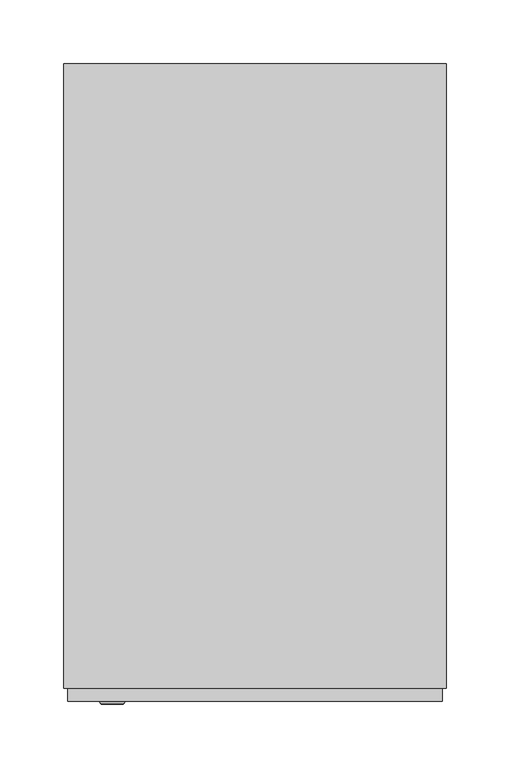
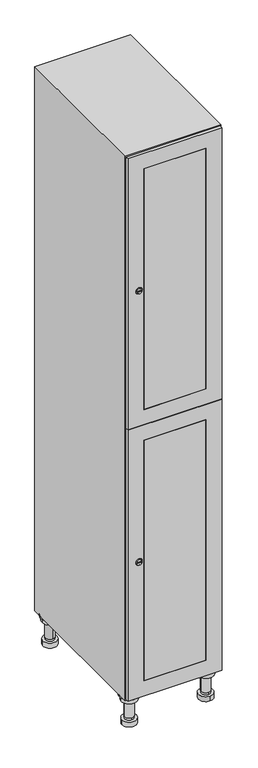
"""IFC4 building model written with IfcOpenShell, lengths in millimetres: furniture geometry."""

from ifc_helpers import new_model, si_unit, point, frame, frame_2d, origin, place, context, project, spatial, polyline, circle_curve, trimmed, segment, composite_curve, outline, extrude, faceted_brep, source, transform, mapped, element, save
from ifc_brep_helpers import plane_surface, cylinder_surface, revolved_surface, advanced_brep


def furniture_13d19fe8(model_context):
    return source(origin(), model_context, "Body", "SolidModel", [
        advanced_brep(
        [(70.0, -201.0, 22.0), (70.0, -201.5, 16.0), (70.0, -228.5, 16.0), (70.0, -229.0, 22.0), (56.0, -215.0, 22.0), (84.0, -215.0, 22.0), (70.0, -192.5, 16.0), (70.0, -237.5, 16.0), (70.0, -192.5, 0.0), (70.0, -237.5, 0.0), (84.0, -215.0, 78.0), (56.0, -215.0, 78.0), (95.0, -215.0, 78.0), (45.0, -215.0, 78.0), (100.0, -215.0, 94.0), (40.0, -215.0, 94.0), (45.0, -215.0, 94.0), (95.0, -215.0, 94.0), (100.0, -215.0, 100.0), (40.0, -215.0, 100.0)],
        [
            (0, 1),
            (1, 2, circle_curve(frame((70.0, -215.0, 16.0), z_axis=(0.0, 0.0, 1.0), x_axis=(0.0, -1.0, 0.0)), 13.5)),
            (2, 3),
            (3, 4, circle_curve(frame((70.0, -215.0, 22.0), z_axis=(0.0, 0.0, -1.0), x_axis=(0.0, -1.0, 0.0)), 14.0)),
            (4, 0, circle_curve(frame((70.0, -215.0, 22.0), z_axis=(0.0, 0.0, -1.0), x_axis=(0.0, -1.0, 0.0)), 14.0)),
            (0, 5, circle_curve(frame((70.0, -215.0, 22.0), z_axis=(0.0, 0.0, -1.0), x_axis=(0.0, 1.0, 0.0)), 14.0)),
            (5, 3, circle_curve(frame((70.0, -215.0, 22.0), z_axis=(0.0, 0.0, -1.0), x_axis=(0.0, 1.0, 0.0)), 14.0)),
            (2, 1, circle_curve(frame((70.0, -215.0, 16.0), z_axis=(0.0, 0.0, 1.0), x_axis=(0.0, 1.0, 0.0)), 13.5)),
            (6, 7, circle_curve(frame((70.0, -215.0, 16.0), z_axis=(0.0, 0.0, 1.0), x_axis=(0.0, -1.0, 0.0)), 22.5)),
            (7, 6, circle_curve(frame((70.0, -215.0, 16.0), z_axis=(0.0, 0.0, 1.0), x_axis=(0.0, -1.0, 0.0)), 22.5)),
            (8, 9, circle_curve(frame((70.0, -215.0, 0.0), z_axis=(0.0, 0.0, -1.0), x_axis=(0.0, -1.0, 0.0)), 22.5)),
            (9, 8, circle_curve(frame((70.0, -215.0, 0.0), z_axis=(0.0, 0.0, -1.0), x_axis=(0.0, -1.0, 0.0)), 22.5)),
            (6, 8),
            (9, 7),
            (5, 10),
            (10, 11, circle_curve(frame((70.0, -215.0, 78.0), z_axis=(0.0, 0.0, -1.0), x_axis=(-1.0, 0.0, 0.0)), 14.0)),
            (11, 4),
            (11, 10, circle_curve(frame((70.0, -215.0, 78.0), z_axis=(0.0, 0.0, -1.0), x_axis=(-1.0, 0.0, 0.0)), 14.0)),
            (12, 13, circle_curve(frame((70.0, -215.0, 78.0), z_axis=(0.0, 0.0, -1.0), x_axis=(-1.0, 0.0, 0.0)), 25.0)),
            (13, 12, circle_curve(frame((70.0, -215.0, 78.0), z_axis=(0.0, 0.0, -1.0), x_axis=(-1.0, 0.0, 0.0)), 25.0)),
            (14, 15, circle_curve(frame((70.0, -215.0, 94.0), z_axis=(0.0, 0.0, -1.0), x_axis=(-1.0, 0.0, 0.0)), 30.0)),
            (15, 14, circle_curve(frame((70.0, -215.0, 94.0), z_axis=(0.0, 0.0, -1.0), x_axis=(-1.0, 0.0, 0.0)), 30.0)),
            (16, 17, circle_curve(frame((70.0, -215.0, 94.0), z_axis=(0.0, 0.0, 1.0), x_axis=(-1.0, 0.0, 0.0)), 25.0)),
            (17, 16, circle_curve(frame((70.0, -215.0, 94.0), z_axis=(0.0, 0.0, 1.0), x_axis=(-1.0, 0.0, 0.0)), 25.0)),
            (18, 19, circle_curve(frame((70.0, -215.0, 100.0), z_axis=(0.0, 0.0, 1.0), x_axis=(-1.0, 0.0, 0.0)), 30.0)),
            (19, 18, circle_curve(frame((70.0, -215.0, 100.0), z_axis=(0.0, 0.0, 1.0), x_axis=(-1.0, 0.0, 0.0)), 30.0)),
            (14, 18),
            (19, 15),
            (12, 17),
            (16, 13),
        ],
        [
            revolved_surface(polyline([(70.0, -201.5, 16.0), (70.0, -201.0, 22.0)]), (70.0, -215.0, -146.0), (0.0, 0.0, 1.0)),
            plane_surface(frame((70.0, 0.0, 16.0), z_axis=(0.0, 0.0, 1.0), x_axis=(0.0, -1.0, 0.0))),
            plane_surface(frame((70.0, 0.0, 0.0), z_axis=(0.0, 0.0, -1.0), x_axis=(0.0, -1.0, 0.0))),
            cylinder_surface(frame((70.0, -215.0, 16.0), z_axis=(0.0, 0.0, 1.0), x_axis=(0.0, -1.0, 0.0)), 22.5),
            cylinder_surface(frame((70.0, -215.0, 22.0), z_axis=(0.0, 0.0, -1.0), x_axis=(-1.0, 0.0, 0.0)), 14.0),
            plane_surface(frame((70.0, 0.0, 78.0), z_axis=(0.0, 0.0, -1.0), x_axis=(0.0, -1.0, 0.0))),
            plane_surface(frame((70.0, 0.0, 94.0), z_axis=(0.0, 0.0, -1.0), x_axis=(0.0, -1.0, 0.0))),
            plane_surface(frame((70.0, 0.0, 100.0), z_axis=(0.0, 0.0, 1.0), x_axis=(0.0, -1.0, 0.0))),
            cylinder_surface(frame((70.0, -215.0, 94.0), z_axis=(0.0, 0.0, -1.0), x_axis=(-1.0, 0.0, 0.0)), 30.0),
            cylinder_surface(frame((70.0, -215.0, 78.0), z_axis=(0.0, 0.0, -1.0), x_axis=(-1.0, 0.0, 0.0)), 25.0),
        ],
        [
            (0, [[1, 2, 3, 4, 5]]),
            (0, [[-1, 6, 7, -3, 8]]),
            (1, [[9, 10], [-2, -8]]),
            (2, [[11, 12]]),
            (3, [[-9, 13, -12, 14]]),
            (3, [[-10, -14, -11, -13]]),
            (4, [[15, 16, 17, -4, -7]]),
            (4, [[-15, -6, -5, -17, 18]]),
            (5, [[19, 20], [-16, -18]]),
            (6, [[21, 22], [23, 24]]),
            (7, [[25, 26]]),
            (8, [[-21, 27, -26, 28]]),
            (8, [[-22, -28, -25, -27]]),
            (9, [[-19, 29, -23, 30]]),
            (9, [[-20, -30, -24, -29]]),
        ],
    ),
        advanced_brep(
        [(-170.0, -201.0, 22.0), (-170.0, -201.5, 16.0), (-170.0, -228.5, 16.0), (-170.0, -229.0, 22.0), (-184.0, -215.0, 22.0), (-156.0, -215.0, 22.0), (-147.5, -215.0, 0.0), (-192.5, -215.0, 0.0), (-147.5, -215.0, 16.0), (-192.5, -215.0, 16.0), (-156.0, -215.0, 78.0), (-184.0, -215.0, 78.0), (-145.0, -215.0, 78.0), (-195.0, -215.0, 78.0), (-140.0, -215.0, 94.0), (-200.0, -215.0, 94.0), (-195.0, -215.0, 94.0), (-145.0, -215.0, 94.0), (-140.0, -215.0, 100.0), (-200.0, -215.0, 100.0)],
        [
            (0, 1),
            (1, 2, circle_curve(frame((-170.0, -215.0, 16.0), z_axis=(0.0, 0.0, 1.0), x_axis=(0.0, -1.0, 0.0)), 13.5)),
            (2, 3),
            (3, 4, circle_curve(frame((-170.0, -215.0, 22.0), z_axis=(0.0, 0.0, -1.0), x_axis=(0.0, -1.0, 0.0)), 14.0)),
            (4, 0, circle_curve(frame((-170.0, -215.0, 22.0), z_axis=(0.0, 0.0, -1.0), x_axis=(0.0, -1.0, 0.0)), 14.0)),
            (0, 5, circle_curve(frame((-170.0, -215.0, 22.0), z_axis=(0.0, 0.0, -1.0), x_axis=(0.0, 1.0, 0.0)), 14.0)),
            (5, 3, circle_curve(frame((-170.0, -215.0, 22.0), z_axis=(0.0, 0.0, -1.0), x_axis=(0.0, 1.0, 0.0)), 14.0)),
            (2, 1, circle_curve(frame((-170.0, -215.0, 16.0), z_axis=(0.0, 0.0, 1.0), x_axis=(0.0, 1.0, 0.0)), 13.5)),
            (6, 7, circle_curve(frame((-170.0, -215.0, 0.0), z_axis=(0.0, 0.0, -1.0), x_axis=(-1.0, 0.0, 0.0)), 22.5)),
            (7, 6, circle_curve(frame((-170.0, -215.0, 0.0), z_axis=(0.0, 0.0, -1.0), x_axis=(-1.0, 0.0, 0.0)), 22.5)),
            (8, 9, circle_curve(frame((-170.0, -215.0, 16.0), z_axis=(0.0, 0.0, 1.0), x_axis=(-1.0, 0.0, 0.0)), 22.5)),
            (9, 8, circle_curve(frame((-170.0, -215.0, 16.0), z_axis=(0.0, 0.0, 1.0), x_axis=(-1.0, 0.0, 0.0)), 22.5)),
            (6, 8),
            (9, 7),
            (5, 10),
            (10, 11, circle_curve(frame((-170.0, -215.0, 78.0), z_axis=(0.0, 0.0, -1.0), x_axis=(-1.0, 0.0, 0.0)), 14.0)),
            (11, 4),
            (11, 10, circle_curve(frame((-170.0, -215.0, 78.0), z_axis=(0.0, 0.0, -1.0), x_axis=(-1.0, 0.0, 0.0)), 14.0)),
            (12, 13, circle_curve(frame((-170.0, -215.0, 78.0), z_axis=(0.0, 0.0, -1.0), x_axis=(-1.0, 0.0, 0.0)), 25.0)),
            (13, 12, circle_curve(frame((-170.0, -215.0, 78.0), z_axis=(0.0, 0.0, -1.0), x_axis=(-1.0, 0.0, 0.0)), 25.0)),
            (14, 15, circle_curve(frame((-170.0, -215.0, 94.0), z_axis=(0.0, 0.0, -1.0), x_axis=(-1.0, 0.0, 0.0)), 30.0)),
            (15, 14, circle_curve(frame((-170.0, -215.0, 94.0), z_axis=(0.0, 0.0, -1.0), x_axis=(-1.0, 0.0, 0.0)), 30.0)),
            (16, 17, circle_curve(frame((-170.0, -215.0, 94.0), z_axis=(0.0, 0.0, 1.0), x_axis=(-1.0, 0.0, 0.0)), 25.0)),
            (17, 16, circle_curve(frame((-170.0, -215.0, 94.0), z_axis=(0.0, 0.0, 1.0), x_axis=(-1.0, 0.0, 0.0)), 25.0)),
            (18, 19, circle_curve(frame((-170.0, -215.0, 100.0), z_axis=(0.0, 0.0, 1.0), x_axis=(-1.0, 0.0, 0.0)), 30.0)),
            (19, 18, circle_curve(frame((-170.0, -215.0, 100.0), z_axis=(0.0, 0.0, 1.0), x_axis=(-1.0, 0.0, 0.0)), 30.0)),
            (14, 18),
            (19, 15),
            (12, 17),
            (16, 13),
        ],
        [
            revolved_surface(polyline([(-170.0, -201.5, 16.0), (-170.0, -201.0, 22.0)]), (-170.0, -215.0, -146.0), (0.0, 0.0, 1.0)),
            plane_surface(frame((-170.0, 0.0, 0.0), z_axis=(0.0, 0.0, -1.0), x_axis=(0.0, -1.0, 0.0))),
            plane_surface(frame((-170.0, 0.0, 16.0), z_axis=(0.0, 0.0, 1.0), x_axis=(0.0, -1.0, 0.0))),
            cylinder_surface(frame((-170.0, -215.0, 0.0), z_axis=(0.0, 0.0, -1.0), x_axis=(-1.0, 0.0, 0.0)), 22.5),
            cylinder_surface(frame((-170.0, -215.0, 22.0), z_axis=(0.0, 0.0, -1.0), x_axis=(-1.0, 0.0, 0.0)), 14.0),
            plane_surface(frame((-170.0, 0.0, 78.0), z_axis=(0.0, 0.0, -1.0), x_axis=(0.0, -1.0, 0.0))),
            plane_surface(frame((-170.0, 0.0, 94.0), z_axis=(0.0, 0.0, -1.0), x_axis=(0.0, -1.0, 0.0))),
            plane_surface(frame((-170.0, 0.0, 100.0), z_axis=(0.0, 0.0, 1.0), x_axis=(0.0, -1.0, 0.0))),
            cylinder_surface(frame((-170.0, -215.0, 94.0), z_axis=(0.0, 0.0, -1.0), x_axis=(-1.0, 0.0, 0.0)), 30.0),
            cylinder_surface(frame((-170.0, -215.0, 78.0), z_axis=(0.0, 0.0, -1.0), x_axis=(-1.0, 0.0, 0.0)), 25.0),
        ],
        [
            (0, [[1, 2, 3, 4, 5]]),
            (0, [[-1, 6, 7, -3, 8]]),
            (1, [[9, 10]]),
            (2, [[11, 12], [-2, -8]]),
            (3, [[-9, 13, -12, 14]]),
            (3, [[-10, -14, -11, -13]]),
            (4, [[15, 16, 17, -4, -7]]),
            (4, [[-15, -6, -5, -17, 18]]),
            (5, [[19, 20], [-16, -18]]),
            (6, [[21, 22], [23, 24]]),
            (7, [[25, 26]]),
            (8, [[-21, 27, -26, 28]]),
            (8, [[-22, -28, -25, -27]]),
            (9, [[-19, 29, -23, 30]]),
            (9, [[-20, -30, -24, -29]]),
        ],
    ),
        advanced_brep(
        [(83.5, 215.0, 16.0), (84.0, 215.0, 22.0), (56.0, 215.0, 22.0), (56.5, 215.0, 16.0), (92.5, 215.0, 0.0), (47.5, 215.0, 0.0), (92.5, 215.0, 16.0), (47.5, 215.0, 16.0), (84.0, 215.0, 78.0), (56.0, 215.0, 78.0), (95.0, 215.0, 78.0), (45.0, 215.0, 78.0), (100.0, 215.0, 94.0), (40.0, 215.0, 94.0), (45.0, 215.0, 94.0), (95.0, 215.0, 94.0), (100.0, 215.0, 100.0), (40.0, 215.0, 100.0)],
        [
            (0, 1),
            (1, 2, circle_curve(frame((70.0, 215.0, 22.0), z_axis=(0.0, 0.0, -1.0), x_axis=(-1.0, 0.0, 0.0)), 14.0)),
            (2, 3),
            (3, 0, circle_curve(frame((70.0, 215.0, 16.0), z_axis=(0.0, 0.0, 1.0), x_axis=(-1.0, 0.0, 0.0)), 13.5)),
            (0, 3, circle_curve(frame((70.0, 215.0, 16.0), z_axis=(0.0, 0.0, 1.0), x_axis=(1.0, 0.0, 0.0)), 13.5)),
            (2, 1, circle_curve(frame((70.0, 215.0, 22.0), z_axis=(0.0, 0.0, -1.0), x_axis=(1.0, 0.0, 0.0)), 14.0)),
            (4, 5, circle_curve(frame((70.0, 215.0, 0.0), z_axis=(0.0, 0.0, -1.0), x_axis=(-1.0, 0.0, 0.0)), 22.5)),
            (5, 4, circle_curve(frame((70.0, 215.0, 0.0), z_axis=(0.0, 0.0, -1.0), x_axis=(-1.0, 0.0, 0.0)), 22.5)),
            (6, 7, circle_curve(frame((70.0, 215.0, 16.0), z_axis=(0.0, 0.0, 1.0), x_axis=(-1.0, 0.0, 0.0)), 22.5)),
            (7, 6, circle_curve(frame((70.0, 215.0, 16.0), z_axis=(0.0, 0.0, 1.0), x_axis=(-1.0, 0.0, 0.0)), 22.5)),
            (4, 6),
            (7, 5),
            (1, 8),
            (8, 9, circle_curve(frame((70.0, 215.0, 78.0), z_axis=(0.0, 0.0, -1.0), x_axis=(-1.0, 0.0, 0.0)), 14.0)),
            (9, 2),
            (9, 8, circle_curve(frame((70.0, 215.0, 78.0), z_axis=(0.0, 0.0, -1.0), x_axis=(-1.0, 0.0, 0.0)), 14.0)),
            (10, 11, circle_curve(frame((70.0, 215.0, 78.0), z_axis=(0.0, 0.0, -1.0), x_axis=(-1.0, 0.0, 0.0)), 25.0)),
            (11, 10, circle_curve(frame((70.0, 215.0, 78.0), z_axis=(0.0, 0.0, -1.0), x_axis=(-1.0, 0.0, 0.0)), 25.0)),
            (12, 13, circle_curve(frame((70.0, 215.0, 94.0), z_axis=(0.0, 0.0, -1.0), x_axis=(-1.0, 0.0, 0.0)), 30.0)),
            (13, 12, circle_curve(frame((70.0, 215.0, 94.0), z_axis=(0.0, 0.0, -1.0), x_axis=(-1.0, 0.0, 0.0)), 30.0)),
            (14, 15, circle_curve(frame((70.0, 215.0, 94.0), z_axis=(0.0, 0.0, 1.0), x_axis=(-1.0, 0.0, 0.0)), 25.0)),
            (15, 14, circle_curve(frame((70.0, 215.0, 94.0), z_axis=(0.0, 0.0, 1.0), x_axis=(-1.0, 0.0, 0.0)), 25.0)),
            (16, 17, circle_curve(frame((70.0, 215.0, 100.0), z_axis=(0.0, 0.0, 1.0), x_axis=(-1.0, 0.0, 0.0)), 30.0)),
            (17, 16, circle_curve(frame((70.0, 215.0, 100.0), z_axis=(0.0, 0.0, 1.0), x_axis=(-1.0, 0.0, 0.0)), 30.0)),
            (12, 16),
            (17, 13),
            (10, 15),
            (14, 11),
        ],
        [
            revolved_surface(polyline([(83.5, 215.0, 16.0), (84.0, 215.0, 22.0)]), (70.0, 215.0, -146.0), (0.0, 0.0, 1.0)),
            plane_surface(frame((70.0, 0.0, 0.0), z_axis=(0.0, 0.0, -1.0), x_axis=(0.0, -1.0, 0.0))),
            plane_surface(frame((70.0, 0.0, 16.0), z_axis=(0.0, 0.0, 1.0), x_axis=(0.0, -1.0, 0.0))),
            cylinder_surface(frame((70.0, 215.0, 0.0), z_axis=(0.0, 0.0, -1.0), x_axis=(-1.0, 0.0, 0.0)), 22.5),
            cylinder_surface(frame((70.0, 215.0, 22.0), z_axis=(0.0, 0.0, -1.0), x_axis=(-1.0, 0.0, 0.0)), 14.0),
            plane_surface(frame((70.0, 0.0, 78.0), z_axis=(0.0, 0.0, -1.0), x_axis=(0.0, -1.0, 0.0))),
            plane_surface(frame((70.0, 0.0, 94.0), z_axis=(0.0, 0.0, -1.0), x_axis=(0.0, -1.0, 0.0))),
            plane_surface(frame((70.0, 0.0, 100.0), z_axis=(0.0, 0.0, 1.0), x_axis=(0.0, -1.0, 0.0))),
            cylinder_surface(frame((70.0, 215.0, 94.0), z_axis=(0.0, 0.0, -1.0), x_axis=(-1.0, 0.0, 0.0)), 30.0),
            cylinder_surface(frame((70.0, 215.0, 78.0), z_axis=(0.0, 0.0, -1.0), x_axis=(-1.0, 0.0, 0.0)), 25.0),
        ],
        [
            (0, [[1, 2, 3, 4]]),
            (0, [[-1, 5, -3, 6]]),
            (1, [[7, 8]]),
            (2, [[9, 10], [-4, -5]]),
            (3, [[-7, 11, -10, 12]]),
            (3, [[-8, -12, -9, -11]]),
            (4, [[13, 14, 15, -2]]),
            (4, [[-13, -6, -15, 16]]),
            (5, [[17, 18], [-14, -16]]),
            (6, [[19, 20], [21, 22]]),
            (7, [[23, 24]]),
            (8, [[-19, 25, -24, 26]]),
            (8, [[-20, -26, -23, -25]]),
            (9, [[-17, 27, -21, 28]]),
            (9, [[-18, -28, -22, -27]]),
        ],
    ),
        advanced_brep(
        [(-156.5, 215.0, 16.0), (-156.0, 215.0, 22.0), (-170.0, 201.0, 22.0), (-184.0, 215.0, 22.0), (-183.5, 215.0, 16.0), (-170.0, 229.0, 22.0), (-147.5, 215.0, 0.0), (-192.5, 215.0, 0.0), (-147.5, 215.0, 16.0), (-192.5, 215.0, 16.0), (-170.0, 229.0, 78.0), (-170.0, 201.0, 78.0), (-145.0, 215.0, 78.0), (-195.0, 215.0, 78.0), (-140.0, 215.0, 94.0), (-200.0, 215.0, 94.0), (-195.0, 215.0, 94.0), (-145.0, 215.0, 94.0), (-140.0, 215.0, 100.0), (-200.0, 215.0, 100.0)],
        [
            (0, 1),
            (1, 2, circle_curve(frame((-170.0, 215.0, 22.0), z_axis=(0.0, 0.0, -1.0), x_axis=(-1.0, 0.0, 0.0)), 14.0)),
            (2, 3, circle_curve(frame((-170.0, 215.0, 22.0), z_axis=(0.0, 0.0, -1.0), x_axis=(-1.0, 0.0, 0.0)), 14.0)),
            (3, 4),
            (4, 0, circle_curve(frame((-170.0, 215.0, 16.0), z_axis=(0.0, 0.0, 1.0), x_axis=(-1.0, 0.0, 0.0)), 13.5)),
            (0, 4, circle_curve(frame((-170.0, 215.0, 16.0), z_axis=(0.0, 0.0, 1.0), x_axis=(1.0, 0.0, 0.0)), 13.5)),
            (3, 5, circle_curve(frame((-170.0, 215.0, 22.0), z_axis=(0.0, 0.0, -1.0), x_axis=(1.0, 0.0, 0.0)), 14.0)),
            (5, 1, circle_curve(frame((-170.0, 215.0, 22.0), z_axis=(0.0, 0.0, -1.0), x_axis=(1.0, 0.0, 0.0)), 14.0)),
            (6, 7, circle_curve(frame((-170.0, 215.0, 0.0), z_axis=(0.0, 0.0, -1.0), x_axis=(-1.0, 0.0, 0.0)), 22.5)),
            (7, 6, circle_curve(frame((-170.0, 215.0, 0.0), z_axis=(0.0, 0.0, -1.0), x_axis=(-1.0, 0.0, 0.0)), 22.5)),
            (8, 9, circle_curve(frame((-170.0, 215.0, 16.0), z_axis=(0.0, 0.0, 1.0), x_axis=(-1.0, 0.0, 0.0)), 22.5)),
            (9, 8, circle_curve(frame((-170.0, 215.0, 16.0), z_axis=(0.0, 0.0, 1.0), x_axis=(-1.0, 0.0, 0.0)), 22.5)),
            (6, 8),
            (9, 7),
            (10, 5),
            (2, 11),
            (11, 10, circle_curve(frame((-170.0, 215.0, 78.0), z_axis=(0.0, 0.0, -1.0), x_axis=(0.0, -1.0, 0.0)), 14.0)),
            (10, 11, circle_curve(frame((-170.0, 215.0, 78.0), z_axis=(0.0, 0.0, -1.0), x_axis=(0.0, -1.0, 0.0)), 14.0)),
            (12, 13, circle_curve(frame((-170.0, 215.0, 78.0), z_axis=(0.0, 0.0, -1.0), x_axis=(-1.0, 0.0, 0.0)), 25.0)),
            (13, 12, circle_curve(frame((-170.0, 215.0, 78.0), z_axis=(0.0, 0.0, -1.0), x_axis=(-1.0, 0.0, 0.0)), 25.0)),
            (14, 15, circle_curve(frame((-170.0, 215.0, 94.0), z_axis=(0.0, 0.0, -1.0), x_axis=(-1.0, 0.0, 0.0)), 30.0)),
            (15, 14, circle_curve(frame((-170.0, 215.0, 94.0), z_axis=(0.0, 0.0, -1.0), x_axis=(-1.0, 0.0, 0.0)), 30.0)),
            (16, 17, circle_curve(frame((-170.0, 215.0, 94.0), z_axis=(0.0, 0.0, 1.0), x_axis=(-1.0, 0.0, 0.0)), 25.0)),
            (17, 16, circle_curve(frame((-170.0, 215.0, 94.0), z_axis=(0.0, 0.0, 1.0), x_axis=(-1.0, 0.0, 0.0)), 25.0)),
            (18, 19, circle_curve(frame((-170.0, 215.0, 100.0), z_axis=(0.0, 0.0, 1.0), x_axis=(-1.0, 0.0, 0.0)), 30.0)),
            (19, 18, circle_curve(frame((-170.0, 215.0, 100.0), z_axis=(0.0, 0.0, 1.0), x_axis=(-1.0, 0.0, 0.0)), 30.0)),
            (14, 18),
            (19, 15),
            (12, 17),
            (16, 13),
        ],
        [
            revolved_surface(polyline([(-156.5, 215.0, 16.0), (-156.0, 215.0, 22.0)]), (-170.0, 215.0, -146.0), (0.0, 0.0, 1.0)),
            plane_surface(frame((-170.0, 0.0, 0.0), z_axis=(0.0, 0.0, -1.0), x_axis=(0.0, -1.0, 0.0))),
            plane_surface(frame((-170.0, 0.0, 16.0), z_axis=(0.0, 0.0, 1.0), x_axis=(0.0, -1.0, 0.0))),
            cylinder_surface(frame((-170.0, 215.0, 0.0), z_axis=(0.0, 0.0, -1.0), x_axis=(-1.0, 0.0, 0.0)), 22.5),
            cylinder_surface(frame((-170.0, 215.0, 78.0), z_axis=(0.0, 0.0, 1.0), x_axis=(0.0, -1.0, 0.0)), 14.0),
            plane_surface(frame((-170.0, 0.0, 78.0), z_axis=(0.0, 0.0, -1.0), x_axis=(0.0, -1.0, 0.0))),
            plane_surface(frame((-170.0, 0.0, 94.0), z_axis=(0.0, 0.0, -1.0), x_axis=(0.0, -1.0, 0.0))),
            plane_surface(frame((-170.0, 0.0, 100.0), z_axis=(0.0, 0.0, 1.0), x_axis=(0.0, -1.0, 0.0))),
            cylinder_surface(frame((-170.0, 215.0, 94.0), z_axis=(0.0, 0.0, -1.0), x_axis=(-1.0, 0.0, 0.0)), 30.0),
            cylinder_surface(frame((-170.0, 215.0, 78.0), z_axis=(0.0, 0.0, -1.0), x_axis=(-1.0, 0.0, 0.0)), 25.0),
        ],
        [
            (0, [[1, 2, 3, 4, 5]]),
            (0, [[-1, 6, -4, 7, 8]]),
            (1, [[9, 10]]),
            (2, [[11, 12], [-5, -6]]),
            (3, [[-9, 13, -12, 14]]),
            (3, [[-10, -14, -11, -13]]),
            (4, [[15, -7, -3, 16, 17]]),
            (4, [[-15, 18, -16, -2, -8]]),
            (5, [[19, 20], [-17, -18]]),
            (6, [[21, 22], [23, 24]]),
            (7, [[25, 26]]),
            (8, [[-21, 27, -26, 28]]),
            (8, [[-22, -28, -25, -27]]),
            (9, [[-19, 29, -23, 30]]),
            (9, [[-20, -30, -24, -29]]),
        ],
    ),
        extrude(outline(composite_curve([segment(trimmed(circle_curve(frame_2d((1448.5, -188.7989466)), 7.0), [point((1455.5, -188.7989466))], [point((1441.5, -188.7989466))], False, "CARTESIAN"), True, "CONTINUOUS"), segment(polyline([(1441.5, -188.7989466), (1441.5, -160.7989466)]), True, "CONTINUOUS"), segment(trimmed(circle_curve(frame_2d((1448.5, -160.7989466)), 7.0), [point((1441.5, -160.7989466))], [point((1455.5, -160.7989466))], False, "CARTESIAN"), True, "CONTINUOUS"), segment(polyline([(1455.5, -160.7989466), (1455.5, -188.7989466)]), True, "CONTINUOUS")], self_intersect=False)), frame((0.0, -245.0, 0.0), z_axis=(0.0, 1.0, 0.0), x_axis=(0.0, 0.0, 1.0)), (0.0, 0.0, 1.0), 2.0),
        advanced_brep(
        [(-153.5, -257.2, 1448.5), (-170.5, -257.2, 1448.5), (-167.0, -257.2, 1447.25), (-167.0, -257.2, 1449.75), (-157.0, -257.2, 1449.75), (-157.0, -257.2, 1447.25), (-151.5, -255.0, 1448.5), (-172.5, -255.0, 1448.5), (-167.0, -255.0, 1449.75), (-167.0, -255.0, 1447.25), (-157.0, -255.0, 1447.25), (-157.0, -255.0, 1449.75)],
        [
            (0, 1, circle_curve(frame((-162.0, -257.2, 1448.5), z_axis=(0.0, -1.0, 0.0), x_axis=(1.0, 0.0, 0.0)), 8.5)),
            (1, 0, circle_curve(frame((-162.0, -257.2, 1448.5), z_axis=(0.0, -1.0, 0.0), x_axis=(-1.0, 0.0, 0.0)), 8.5)),
            (2, 3),
            (3, 4),
            (4, 5),
            (5, 2),
            (6, 7, circle_curve(frame((-162.0, -255.0, 1448.5), z_axis=(0.0, 1.0, 0.0), x_axis=(-1.0, 0.0, 0.0)), 10.5)),
            (7, 6, circle_curve(frame((-162.0, -255.0, 1448.5), z_axis=(0.0, 1.0, 0.0), x_axis=(1.0, 0.0, 0.0)), 10.5)),
            (8, 9),
            (9, 10),
            (10, 11),
            (11, 8),
            (0, 6),
            (7, 1),
            (8, 3),
            (2, 9),
            (11, 4),
            (10, 5),
        ],
        [
            plane_surface(frame((-162.0, -257.2, 1448.5), z_axis=(0.0, -1.0, 0.0), x_axis=(0.0, 0.0, 1.0))),
            plane_surface(frame((-162.0, -255.0, 1448.5), z_axis=(0.0, 1.0, 0.0), x_axis=(0.0, 0.0, 1.0))),
            revolved_surface(polyline([(-153.5, -257.2, 1448.5), (-151.5, -255.0, 1448.5)]), (-162.0, -266.55, 1448.5), (0.0, 1.0, 0.0)),
            revolved_surface(polyline([(-170.5, -257.2, 1448.5), (-172.5, -255.0, 1448.5)]), (-162.0, -266.55, 1448.5), (0.0, 1.0, 0.0)),
            plane_surface(frame((-167.0, -255.0, 1447.25), z_axis=(1.0, 0.0, 0.0), x_axis=(0.0, -1.0, 0.0))),
            plane_surface(frame((-167.0, -255.0, 1449.75), z_axis=(0.0, 0.0, -1.0), x_axis=(0.0, -1.0, 0.0))),
            plane_surface(frame((-157.0, -255.0, 1449.75), z_axis=(-1.0, 0.0, 0.0), x_axis=(0.0, -1.0, 0.0))),
            plane_surface(frame((-157.0, -255.0, 1447.25), z_axis=(0.0, 0.0, 1.0), x_axis=(0.0, -1.0, 0.0))),
        ],
        [
            (0, [[1, 2], [3, 4, 5, 6]]),
            (1, [[7, 8], [9, 10, 11, 12]]),
            (2, [[-1, 13, -8, 14]]),
            (3, [[-2, -14, -7, -13]]),
            (4, [[15, -3, 16, -9]]),
            (5, [[-15, -12, 17, -4]]),
            (6, [[-17, -11, 18, -5]]),
            (7, [[-16, -6, -18, -10]]),
        ],
    ),
        extrude(outline(composite_curve([segment(trimmed(circle_curve(frame_2d((551.5, -188.7989466)), 7.0), [point((558.5, -188.7989466))], [point((544.5, -188.7989466))], False, "CARTESIAN"), True, "CONTINUOUS"), segment(polyline([(544.5, -188.7989466), (544.5, -160.7989466)]), True, "CONTINUOUS"), segment(trimmed(circle_curve(frame_2d((551.5, -160.7989466)), 7.0), [point((544.5, -160.7989466))], [point((558.5, -160.7989466))], False, "CARTESIAN"), True, "CONTINUOUS"), segment(polyline([(558.5, -160.7989466), (558.5, -188.7989466)]), True, "CONTINUOUS")], self_intersect=False)), frame((0.0, -245.0, 0.0), z_axis=(0.0, 1.0, 0.0), x_axis=(0.0, 0.0, 1.0)), (0.0, 0.0, 1.0), 2.0),
        advanced_brep(
        [(-153.5, -257.2, 551.5), (-170.5, -257.2, 551.5), (-167.0, -257.2, 550.25), (-167.0, -257.2, 552.75), (-157.0, -257.2, 552.75), (-157.0, -257.2, 550.25), (-151.5, -255.0, 551.5), (-172.5, -255.0, 551.5), (-167.0, -255.0, 552.75), (-167.0, -255.0, 550.25), (-157.0, -255.0, 550.25), (-157.0, -255.0, 552.75)],
        [
            (0, 1, circle_curve(frame((-162.0, -257.2, 551.5), z_axis=(0.0, -1.0, 0.0), x_axis=(1.0, 0.0, 0.0)), 8.5)),
            (1, 0, circle_curve(frame((-162.0, -257.2, 551.5), z_axis=(0.0, -1.0, 0.0), x_axis=(-1.0, 0.0, 0.0)), 8.5)),
            (2, 3),
            (3, 4),
            (4, 5),
            (5, 2),
            (6, 7, circle_curve(frame((-162.0, -255.0, 551.5), z_axis=(0.0, 1.0, 0.0), x_axis=(-1.0, 0.0, 0.0)), 10.5)),
            (7, 6, circle_curve(frame((-162.0, -255.0, 551.5), z_axis=(0.0, 1.0, 0.0), x_axis=(1.0, 0.0, 0.0)), 10.5)),
            (8, 9),
            (9, 10),
            (10, 11),
            (11, 8),
            (0, 6),
            (7, 1),
            (8, 3),
            (2, 9),
            (11, 4),
            (10, 5),
        ],
        [
            plane_surface(frame((-162.0, -257.2, 551.5), z_axis=(0.0, -1.0, 0.0), x_axis=(0.0, 0.0, 1.0))),
            plane_surface(frame((-162.0, -255.0, 551.5), z_axis=(0.0, 1.0, 0.0), x_axis=(0.0, 0.0, 1.0))),
            revolved_surface(polyline([(-153.5, -257.2, 551.5), (-151.5, -255.0, 551.5)]), (-162.0, -266.55, 551.5), (0.0, 1.0, 0.0)),
            revolved_surface(polyline([(-170.5, -257.2, 551.5), (-172.5, -255.0, 551.5)]), (-162.0, -266.55, 551.5), (0.0, 1.0, 0.0)),
            plane_surface(frame((-167.0, -255.0, 550.25), z_axis=(1.0, 0.0, 0.0), x_axis=(0.0, -1.0, 0.0))),
            plane_surface(frame((-167.0, -255.0, 552.75), z_axis=(0.0, 0.0, -1.0), x_axis=(0.0, -1.0, 0.0))),
            plane_surface(frame((-157.0, -255.0, 552.75), z_axis=(-1.0, 0.0, 0.0), x_axis=(0.0, -1.0, 0.0))),
            plane_surface(frame((-157.0, -255.0, 550.25), z_axis=(0.0, 0.0, 1.0), x_axis=(0.0, -1.0, 0.0))),
        ],
        [
            (0, [[1, 2], [3, 4, 5, 6]]),
            (1, [[7, 8], [9, 10, 11, 12]]),
            (2, [[-1, 13, -8, 14]]),
            (3, [[-2, -14, -7, -13]]),
            (4, [[15, -3, 16, -9]]),
            (5, [[-15, -12, 17, -4]]),
            (6, [[-17, -11, 18, -5]]),
            (7, [[-16, -6, -18, -10]]),
        ],
    ),
        extrude(outline(polyline([(1000.5, 97.0), (1897.0, 97.0), (1897.0, -197.0), (1000.5, -197.0), (1000.5, 97.0)]), holes=[polyline([(1847.0, -147.0), (1847.0, 47.0), (1050.5, 47.0), (1050.5, -147.0), (1847.0, -147.0)])]), frame((0.0, -255.0, 0.0), z_axis=(0.0, 1.0, 0.0), x_axis=(0.0, 0.0, 1.0)), (0.0, 0.0, 1.0), 10.0),
        extrude(outline(polyline([(999.5, -197.0), (103.0, -197.0), (103.0, 97.0), (999.5, 97.0), (999.5, -197.0)]), holes=[polyline([(153.0, -147.0), (949.5, -147.0), (949.5, 47.0), (153.0, 47.0), (153.0, -147.0)])]), frame((0.0, -255.0, 0.0), z_axis=(0.0, 1.0, 0.0), x_axis=(0.0, 0.0, 1.0)), (0.0, 0.0, 1.0), 10.0),
        extrude(outline(polyline([(47.0, -255.0), (-147.0, -255.0), (-147.0, -245.0), (47.0, -245.0), (47.0, -255.0)])), frame((0.0, 0.0, 1050.5), z_axis=(0.0, 0.0, 1.0), x_axis=(1.0, 0.0, 0.0)), (0.0, 0.0, 1.0), 796.5),
        extrude(outline(polyline([(47.0, -255.0), (-147.0, -255.0), (-147.0, -245.0), (47.0, -245.0), (47.0, -255.0)])), frame((0.0, 0.0, 153.0), z_axis=(0.0, 0.0, 1.0), x_axis=(1.0, 0.0, 0.0)), (0.0, 0.0, 1.0), 796.5),
        extrude(outline(polyline([(90.0, 241.0), (90.0, -235.0), (-190.0, -235.0), (-190.0, 241.0), (90.0, 241.0)])), frame((0.0, 0.0, 995.0), z_axis=(0.0, 0.0, 1.0), x_axis=(1.0, 0.0, 0.0)), (0.0, 0.0, 1.0), 10.0),
        faceted_brep([(100.0, -245.0, 100.0), (100.0, -245.0, 1900.0), (-200.0, -245.0, 1900.0), (-200.0, -245.0, 100.0), (90.0, -245.0, 1890.0), (90.0, -245.0, 110.0), (-190.0, -245.0, 110.0), (-190.0, -245.0, 1890.0), (100.0, 245.0, 100.0), (-200.0, 245.0, 100.0), (100.0, 245.0, 1900.0), (-200.0, 245.0, 1900.0), (90.0, 241.0, 1890.0), (90.0, 241.0, 110.0), (-200.0, 245.0, 1890.0), (-190.0, 241.0, 1890.0), (-190.0, 241.0, 110.0)], [[[0, 1, 2, 3], [4, 5, 6, 7]], [[8, 0, 3, 9]], [[1, 0, 8, 10]], [[1, 10, 11, 2]], [[4, 12, 13, 5]], [[9, 3, 2, 11, 14]], [[10, 8, 9, 14, 11]], [[12, 15, 16, 13]], [[15, 7, 6, 16]], [[4, 7, 15, 12]], [[6, 5, 13, 16]]]),
    ])


if __name__ == "__main__":
    model = new_model("IFC4")
    model_context = context("Model", 3, world=origin())
    ifc_project = project(units=[si_unit("LENGTHUNIT", "METRE", prefix="MILLI")], contexts=[model_context])
    site = spatial("IfcSite", under=ifc_project)
    building = spatial("IfcBuilding", under=site)
    placement = place(None, origin())
    furniture_shape = furniture_13d19fe8(model_context)
    element("IfcFurniture", 1, at=placement, inside=building, context=model_context, shape_type="MappedRepresentation", body=[
        mapped(furniture_shape, transform((0.0, 0.0, 0.0), x_axis=(1.0, 0.0, 0.0), y_axis=(0.0, 1.0, 0.0), z_axis=(0.0, 0.0, 1.0))),
    ])
    save(model, "model.ifc")
